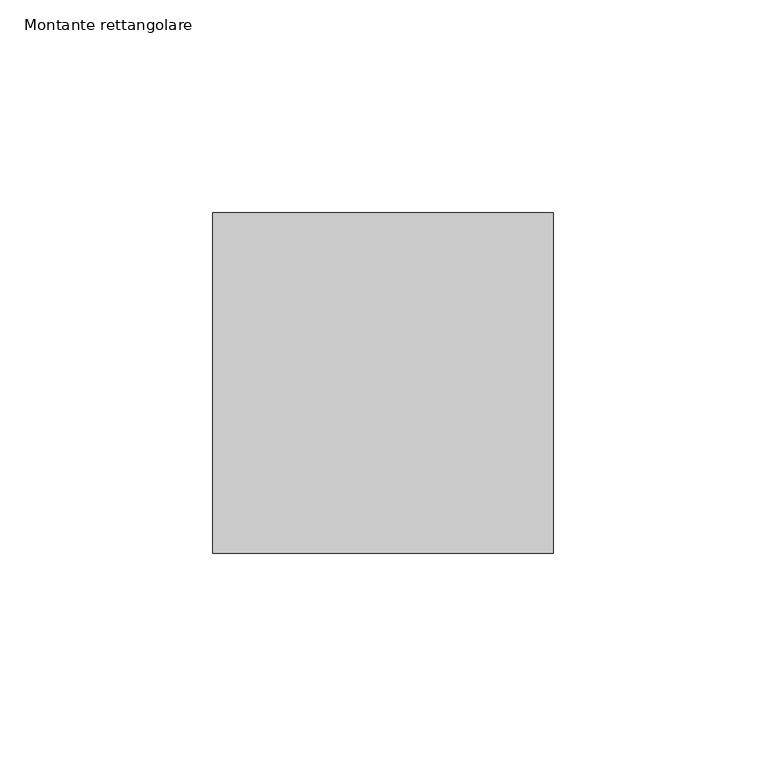
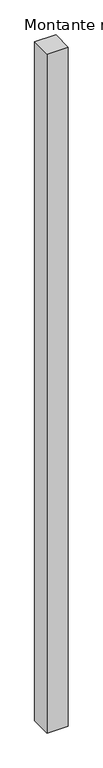
"""IFC4 building model written with IfcOpenShell, lengths in millimetres: member geometry, Montante rettangolare."""

from ifc_helpers import new_model, si_unit, frame, origin, place, context, project, spatial, polyline, outline, extrude, source, transform, mapped, element, save


def montante_rettangolare_5adec003(model_context):
    return source(origin(), model_context, "Body", "SweptSolid", [
        extrude(outline(polyline([(0.0, 40.0), (0.0, -40.0), (-80.0, -40.0), (-80.0, 40.0), (0.0, 40.0)])), frame((0.0, 0.0, -2710.0), z_axis=(0.0, 0.0, 1.0), x_axis=(1.0, 0.0, 0.0)), (0.0, 0.0, 1.0), 2710.0),
    ])


if __name__ == "__main__":
    model = new_model("IFC4")
    model_context = context("Model", 3, world=origin())
    ifc_project = project(units=[si_unit("LENGTHUNIT", "METRE", prefix="MILLI")], contexts=[model_context])
    site = spatial("IfcSite", under=ifc_project)
    building = spatial("IfcBuilding", under=site)
    placement = place(None, origin())
    montante_rettangolare_shape = montante_rettangolare_5adec003(model_context)
    element("IfcMember", 1, ObjectType="Montante rettangolare", at=placement, inside=building, context=model_context, shape_type="MappedRepresentation", body=[
        mapped(montante_rettangolare_shape, transform((0.0, 0.0, 0.0), x_axis=(1.0, 0.0, 0.0), y_axis=(0.0, 1.0, 0.0), z_axis=(0.0, 0.0, 1.0))),
    ])
    save(model, "model.ifc")
